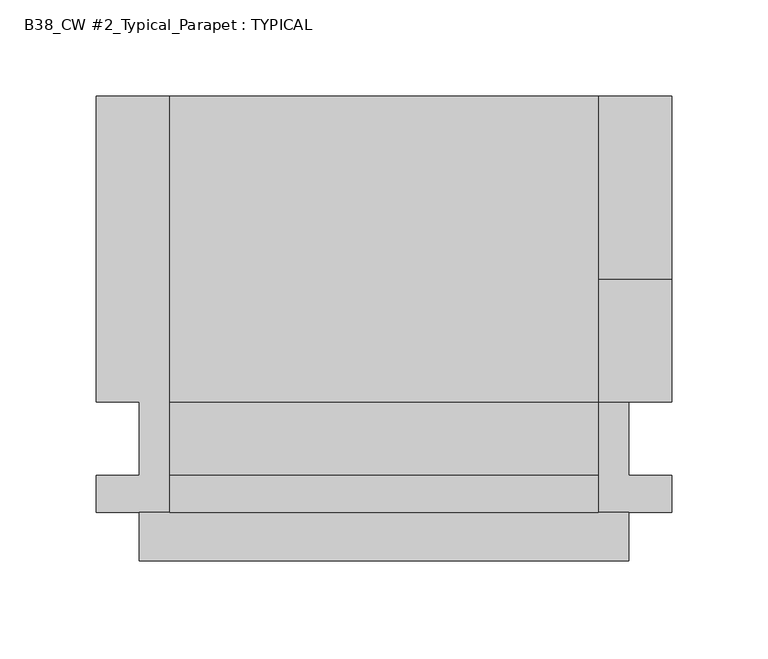
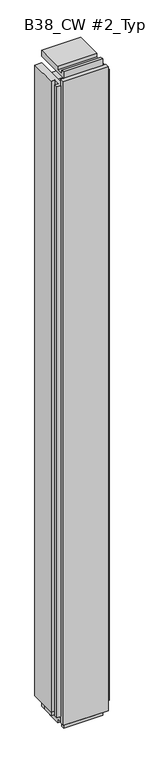
"""IFC4 building model written with IfcOpenShell, lengths in millimetres: plate geometry, B38_CW #2_Typical_Parapet : TYPICAL."""

from ifc_helpers import new_model, si_unit, frame, origin, origin_with_axes, place, context, project, spatial, polyline, outline, extrude, source, transform, mapped, element, save


def b38_cw_2_typical_parapet_typical_ed0a87f7(model_context):
    return source(origin(), model_context, "Body", "SweptSolid", [
        extrude(outline(polyline([(-127.0, -25.4), (127.0, -25.4), (127.0, -50.8), (-127.0, -50.8), (-127.0, -25.4)])), origin_with_axes(), (0.0, 0.0, 1.0), 3860.8),
        extrude(outline(polyline([(-50.8, -50.8), (-50.8, -25.4), (127.0, -25.4), (127.0, -50.8), (-50.8, -50.8)])), origin_with_axes(), (0.0, 0.0, 1.0), 3860.8),
        extrude(outline(polyline([(-127.0, -50.8), (-127.0, -25.4), (50.8, -25.4), (50.8, -50.8), (-127.0, -50.8)])), origin_with_axes(), (0.0, 0.0, 1.0), 3860.8),
        extrude(outline(polyline([(-149.225, 190.5), (-111.125, 190.5), (-111.125, -25.4), (-149.225, -25.4), (-149.225, -6.35), (-127.0, -6.35), (-127.0, 31.75), (-149.225, 31.75), (-149.225, 190.5)])), frame((0.0, 0.0, 38.1), z_axis=(0.0, 0.0, 1.0), x_axis=(1.0, 0.0, 0.0)), (0.0, 0.0, 1.0), 3784.6),
        extrude(outline(polyline([(-149.225, 31.75), (-149.225, 95.25), (149.225, 95.25), (149.225, 31.75), (-149.225, 31.75)])), frame((0.0, 0.0, 15.875), z_axis=(0.0, 0.0, 1.0), x_axis=(1.0, 0.0, 0.0)), (0.0, 0.0, 1.0), 3806.825),
        extrude(outline(polyline([(190.5, -38.1), (31.75, -38.1), (31.75, -15.875), (-6.35, -15.875), (-6.35, -38.1), (-25.4, -38.1), (-25.4, 0.0), (190.5, 0.0), (190.5, -38.1)])), frame((-111.125, 0.0, 0.0), z_axis=(1.0, 0.0, 0.0), x_axis=(0.0, 1.0, 0.0)), (0.0, 0.0, 1.0), 222.25),
        extrude(outline(polyline([(190.5, 3898.9), (190.5, 3860.8), (-25.4, 3860.8), (-25.4, 3898.9), (-6.35, 3898.9), (-6.35, 3876.675), (31.75, 3876.675), (31.75, 3898.9), (190.5, 3898.9)])), frame((-111.125, 0.0, 0.0), z_axis=(1.0, 0.0, 0.0), x_axis=(0.0, 1.0, 0.0)), (0.0, 0.0, 1.0), 222.25),
        extrude(outline(polyline([(149.225, 190.5), (149.225, 31.75), (127.0, 31.75), (127.0, -6.35), (149.225, -6.35), (149.225, -25.4), (111.125, -25.4), (111.125, 190.5), (149.225, 190.5)])), frame((0.0, 0.0, 38.1), z_axis=(0.0, 0.0, 1.0), x_axis=(1.0, 0.0, 0.0)), (0.0, 0.0, 1.0), 3784.6),
    ])


if __name__ == "__main__":
    model = new_model("IFC4")
    model_context = context("Model", 3, world=origin())
    ifc_project = project(units=[si_unit("LENGTHUNIT", "METRE", prefix="MILLI")], contexts=[model_context])
    site = spatial("IfcSite", under=ifc_project)
    building = spatial("IfcBuilding", under=site)
    placement = place(None, origin())
    b38_cw_2_typical_parapet_typical_shape = b38_cw_2_typical_parapet_typical_ed0a87f7(model_context)
    element("IfcPlate", 1, ObjectType="B38_CW #2_Typical_Parapet : TYPICAL", at=placement, inside=building, context=model_context, shape_type="MappedRepresentation", body=[
        mapped(b38_cw_2_typical_parapet_typical_shape, transform((0.0, 0.0, 0.0), x_axis=(1.0, 0.0, 0.0), y_axis=(0.0, 1.0, 0.0), z_axis=(0.0, 0.0, 1.0))),
    ])
    save(model, "model.ifc")
